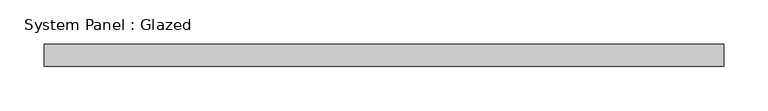
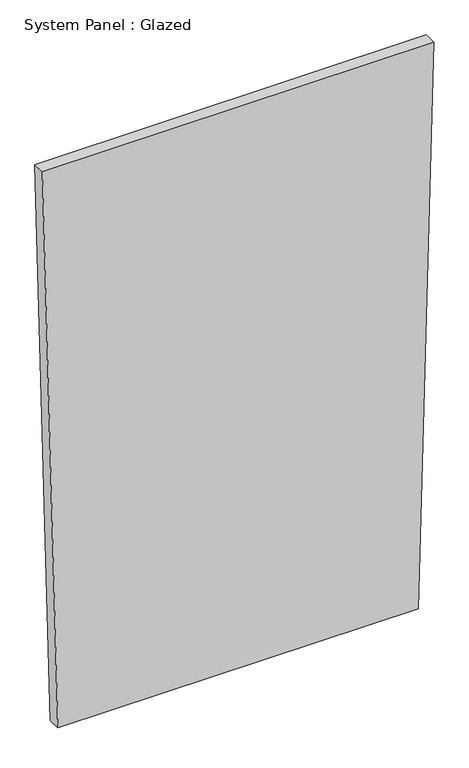
"""IFC4 building model written with IfcOpenShell, lengths in millimetres: plate geometry, System Panel : Glazed."""

from ifc_helpers import new_model, si_unit, frame, origin, place, context, project, spatial, polyline, outline, extrude, source, transform, mapped, element, save


def system_panel_glazed_5eae80bb(model_context):
    return source(origin(), model_context, "Body", "SweptSolid", [
        extrude(outline(polyline([(0.0, -353.530195), (0.0, 353.530132), (1163.7134077, 383.8927676), (1163.7134297, -383.8927676), (0.0, -353.530195)])), frame((0.0, -49.5, 0.0), z_axis=(0.0, 1.0, 0.0), x_axis=(0.0, 0.0, 1.0)), (0.0, 0.0, 1.0), 25.0),
    ])


if __name__ == "__main__":
    model = new_model("IFC4")
    model_context = context("Model", 3, world=origin())
    ifc_project = project(units=[si_unit("LENGTHUNIT", "METRE", prefix="MILLI")], contexts=[model_context])
    site = spatial("IfcSite", under=ifc_project)
    building = spatial("IfcBuilding", under=site)
    placement = place(None, origin())
    system_panel_glazed_shape = system_panel_glazed_5eae80bb(model_context)
    element("IfcPlate", 1, ObjectType="System Panel : Glazed", at=placement, inside=building, context=model_context, shape_type="MappedRepresentation", body=[
        mapped(system_panel_glazed_shape, transform((0.0, 0.0, 0.0), x_axis=(1.0, 0.0, 0.0), y_axis=(0.0, 1.0, 0.0), z_axis=(0.0, 0.0, 1.0))),
    ])
    save(model, "model.ifc")
